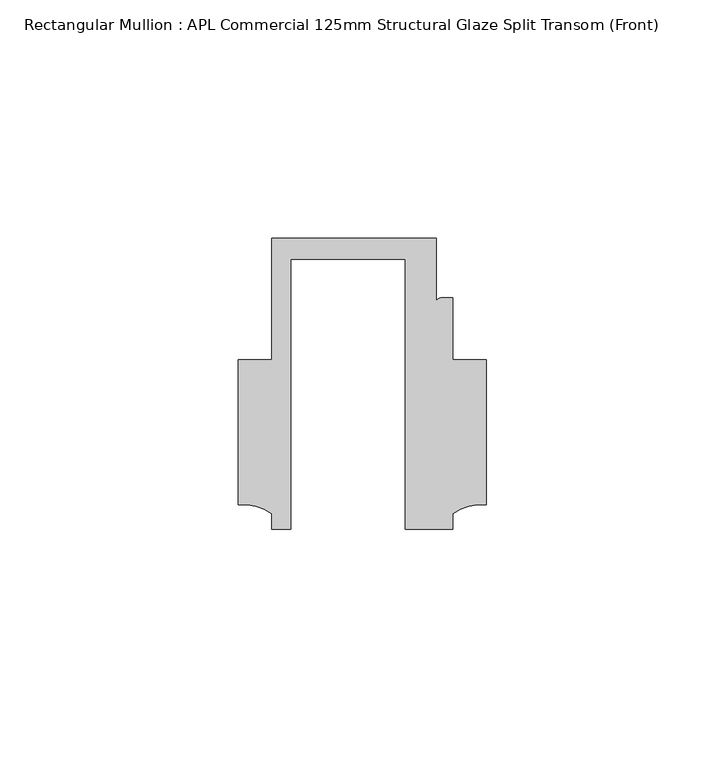
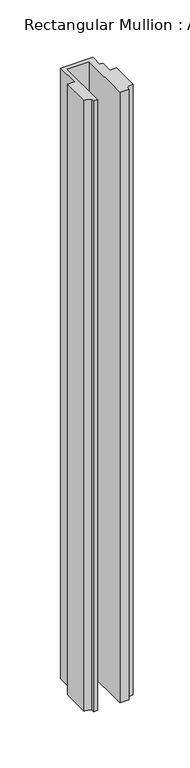
"""IFC4 building model written with IfcOpenShell, lengths in millimetres: member geometry, Rectangular Mullion : APL Commercial 125mm Structural Glaze Split Transom (Front)."""

import ifcopenshell
import ifcopenshell.guid

model = None  # the IFC model being written
_history = None  # IfcOwnerHistory: only IFC2X3 demands one
_inside = {}  # id of a spatial element -> (the spatial element, [elements in it])
_under = {}  # id of a project, library or spatial element -> (it, [spatial elements below it])
_declared = {}  # id of a project -> (the project, [libraries it declares])
_typed = {}  # id of a type object -> (the type object, [elements of that type])
_made_of = {}  # id of a material, layer set ... -> (it, [elements and type objects made of it])


def new_model(schema):
    """Start an empty IFC model of exactly this schema.

    Asked for "IFC4X3", IfcOpenShell would pick the latest addendum, in which some entities
    have other attributes; the version numbers below select the first issue.
    IFC2X3 requires an IfcOwnerHistory on every rooted entity: one is made here for all.
    """
    global model, _history
    if schema == "IFC4X3":
        model = ifcopenshell.file(schema_version=(4, 3, 0, 0))
    else:
        model = ifcopenshell.file(schema=schema)
    _inside.clear()
    _under.clear()
    _declared.clear()
    _typed.clear()
    _made_of.clear()
    _history = None
    if model.schema == "IFC2X3":
        org = make("IfcOrganization", Name="unknown")
        user = make(
            "IfcPersonAndOrganization",
            ThePerson=make("IfcPerson", FamilyName="unknown"),
            TheOrganization=org,
        )
        app = make(
            "IfcApplication",
            ApplicationDeveloper=org,
            Version="unknown",
            ApplicationFullName="unknown",
            ApplicationIdentifier="unknown",
        )
        _history = make(
            "IfcOwnerHistory",
            OwningUser=user,
            OwningApplication=app,
            ChangeAction="ADDED",
            CreationDate=0,
        )
    return model


def make(cls, **values):
    """One entity of the class cls with the attributes given. An attribute that is None is left unset."""
    return model.create_entity(
        cls, **{name: value for name, value in values.items() if value is not None}
    )


def rooted(cls, **values):
    """An entity with a GlobalId (a new one), such as an element, a storey or a relation."""
    return make(cls, GlobalId=ifcopenshell.guid.new(), OwnerHistory=_history, **values)


def si_unit(unit_type, name, prefix=None):
    """IfcSIUnit, for example si_unit("LENGTHUNIT", "METRE", prefix="MILLI")."""
    return make("IfcSIUnit", UnitType=unit_type, Prefix=prefix, Name=name)


def assignment(units):
    """IfcUnitAssignment: the units of a project."""
    return None if units is None else make("IfcUnitAssignment", Units=units)


def point(xyz):
    """IfcCartesianPoint."""
    return None if xyz is None else make("IfcCartesianPoint", Coordinates=xyz)


def direction(xyz):
    """IfcDirection."""
    return None if xyz is None else make("IfcDirection", DirectionRatios=xyz)


def frame(location, z_axis=None, x_axis=None):
    """IfcAxis2Placement3D, a coordinate frame: its origin and axes. An axis left out is left unset."""
    return make(
        "IfcAxis2Placement3D",
        Location=point(location),
        Axis=direction(z_axis),
        RefDirection=direction(x_axis),
    )


def frame_2d(location, x_axis=None):
    """IfcAxis2Placement2D, a coordinate frame in the plane: its origin and x axis."""
    return make(
        "IfcAxis2Placement2D", Location=point(location), RefDirection=direction(x_axis)
    )


def origin():
    """The frame at (0, 0, 0) with its axes left unset."""
    return frame((0.0, 0.0, 0.0))


def place(relative_to, where):
    """IfcLocalPlacement: puts the frame where relative to a parent placement (None: the world)."""
    return make(
        "IfcLocalPlacement", PlacementRelTo=relative_to, RelativePlacement=where
    )


def context(
    kind, dimensions, precision=None, world=None, true_north=None, identifier=None
):
    """IfcGeometricRepresentationContext, for example the 3D "Model" context."""
    return make(
        "IfcGeometricRepresentationContext",
        ContextIdentifier=identifier,
        ContextType=kind,
        CoordinateSpaceDimension=dimensions,
        Precision=precision,
        WorldCoordinateSystem=world,
        TrueNorth=true_north,
    )


def project(units=None, contexts=None):
    """IfcProject with its units and contexts."""
    return rooted(
        "IfcProject",
        Name="project",
        RepresentationContexts=contexts,
        UnitsInContext=assignment(units),
    )


def spatial(cls, under=None, at=None, **own):
    """A site, building, storey or space (cls), placed at a placement, below another one or the project."""
    s = rooted(cls, ObjectPlacement=at, **own)
    if under is not None:
        _under.setdefault(under.id(), (under, []))[1].append(s)
    return s


def polyline(points):
    """IfcPolyline through the points."""
    return make("IfcPolyline", Points=[point(p) for p in points])


def circle_curve(where, radius):
    """IfcCircle in the frame where."""
    return make("IfcCircle", Position=where, Radius=radius)


def trimmed(basis, trim1, trim2, sense, master):
    """IfcTrimmedCurve: the piece of a basis curve between two trims."""
    return make(
        "IfcTrimmedCurve",
        BasisCurve=basis,
        Trim1=trim1,
        Trim2=trim2,
        SenseAgreement=sense,
        MasterRepresentation=master,
    )


def segment(curve, same_sense, transition):
    """IfcCompositeCurveSegment."""
    return make(
        "IfcCompositeCurveSegment",
        Transition=transition,
        SameSense=same_sense,
        ParentCurve=curve,
    )


def composite_curve(segments, self_intersect=None):
    """IfcCompositeCurve: segments joined end to end."""
    return make("IfcCompositeCurve", Segments=segments, SelfIntersect=self_intersect)


def outline(outer, holes=None, kind="AREA"):
    """IfcArbitraryClosedProfileDef: a profile drawn as a closed curve; with holes, ...WithVoids."""
    if holes is None:
        return make("IfcArbitraryClosedProfileDef", ProfileType=kind, OuterCurve=outer)
    return make(
        "IfcArbitraryProfileDefWithVoids",
        ProfileType=kind,
        OuterCurve=outer,
        InnerCurves=holes,
    )


def extrude(swept, where, along, depth):
    """IfcExtrudedAreaSolid: the profile swept, set in the frame where, extruded along a direction by depth."""
    return make(
        "IfcExtrudedAreaSolid",
        SweptArea=swept,
        Position=where,
        ExtrudedDirection=direction(along),
        Depth=depth,
    )


def shape(context_of_items, identifier, shape_type, items):
    """IfcShapeRepresentation: the items that make up one representation, for example the "Body"."""
    return make(
        "IfcShapeRepresentation",
        ContextOfItems=context_of_items,
        RepresentationIdentifier=identifier,
        RepresentationType=shape_type,
        Items=items,
    )


def source(mapping_origin, context_of_items, identifier, shape_type, items):
    """IfcRepresentationMap: a shape defined once, which mapped items show again and again."""
    return make(
        "IfcRepresentationMap",
        MappingOrigin=mapping_origin,
        MappedRepresentation=shape(context_of_items, identifier, shape_type, items),
    )


def transform(
    local_origin,
    x_axis=None,
    y_axis=None,
    z_axis=None,
    scale=None,
    scale2=None,
    scale3=None,
    uniform=True,
):
    """IfcCartesianTransformationOperator3D, or its non-uniform kind. x_axis, y_axis, z_axis: its Axis1, 2, 3."""
    if uniform:
        return make(
            "IfcCartesianTransformationOperator3D",
            Axis1=direction(x_axis),
            Axis2=direction(y_axis),
            LocalOrigin=point(local_origin),
            Scale=scale,
            Axis3=direction(z_axis),
        )
    return make(
        "IfcCartesianTransformationOperator3DnonUniform",
        Axis1=direction(x_axis),
        Axis2=direction(y_axis),
        LocalOrigin=point(local_origin),
        Scale=scale,
        Axis3=direction(z_axis),
        Scale2=scale2,
        Scale3=scale3,
    )


def mapped(mapping_source, mapping_target):
    """IfcMappedItem: shows the shape of a source again, moved by a transform."""
    return make(
        "IfcMappedItem", MappingSource=mapping_source, MappingTarget=mapping_target
    )


def made_of(thing, what):
    """Note that an element or type object is made of a material, layer set ...; save() writes the relation."""
    if what is not None:
        _made_of.setdefault(what.id(), (what, []))[1].append(thing)
    return thing


def element(
    cls,
    number,
    at=None,
    inside=None,
    cuts=None,
    type_object=None,
    material=None,
    context=None,
    identifier="Body",
    shape_type=None,
    held_by="IfcProductDefinitionShape",
    body=None,
    shapes=None,
    **own,
):
    """One element of the class cls, such as IfcWall. Its Tag is "e" and its number.

    at: its placement. inside: the storey or other place that contains it. cuts: it is an
    opening in that element (IfcRelVoidsElement). A single representation is given by context,
    identifier, shape_type and body (its items); several are given by shapes. held_by: the class
    of the entity that holds the representations. save() writes the other relations.
    """
    e = rooted(cls, Tag="e%d" % number, ObjectPlacement=at, **own)
    if body is not None:
        shapes = [shape(context, identifier, shape_type, body)]
    if shapes is not None:
        e.Representation = make(held_by, Representations=shapes)
    if inside is not None:
        _inside.setdefault(inside.id(), (inside, []))[1].append(e)
    if cuts is not None:
        rooted(
            "IfcRelVoidsElement", RelatingBuildingElement=cuts, RelatedOpeningElement=e
        )
    if type_object is not None:
        _typed.setdefault(type_object.id(), (type_object, []))[1].append(e)
    return made_of(e, material)


def aggregate(whole, parts):
    """IfcRelAggregates: a whole, such as a stair, and the parts it consists of."""
    return rooted("IfcRelAggregates", RelatingObject=whole, RelatedObjects=parts)


def save(model, path):
    """Write the relations noted so far, then the file.

    IfcRelAggregates (storeys below a building ...), IfcRelContainedInSpatialStructure (elements
    in a storey), IfcRelDefinesByType, IfcRelAssociatesMaterial and IfcRelDeclares: one each for
    every whole, place, type object, material and project.
    """
    for whole, parts in _under.values():
        aggregate(whole, parts)
    for where, things in _inside.values():
        rooted(
            "IfcRelContainedInSpatialStructure",
            RelatedElements=things,
            RelatingStructure=where,
        )
    for kind, things in _typed.values():
        rooted("IfcRelDefinesByType", RelatedObjects=things, RelatingType=kind)
    for what, things in _made_of.values():
        rooted("IfcRelAssociatesMaterial", RelatedObjects=things, RelatingMaterial=what)
    for by, libraries in _declared.values():
        rooted("IfcRelDeclares", RelatingContext=by, RelatedDefinitions=libraries)
    model.write(path)


def rectangular_mullion_apl_commercial_125mm_structural_glaze_78f0971b(model_context):
    return source(origin(), model_context, "Body", "SweptSolid", [
        extrude(outline(composite_curve([segment(polyline([(-24.0309529, -20.5), (-28.0000482, -20.5), (-28.0000482, -17.3123419)]), True, "CONTINUOUS"), segment(trimmed(circle_curve(frame_2d((-34.10985, -25.7980019)), 10.4563907), [point((-28.0000482, -17.3123419))], [point((-34.9999873, -15.3795682))], True, "CARTESIAN"), True, "CONTINUOUS"), segment(polyline([(-34.9999873, -15.3795682), (-34.9999873, 15.001276), (-28.0000482, 15.001276), (-28.0000482, 40.499932), (6.5000029, 40.499932), (6.5000029, 27.0002131)]), True, "CONTINUOUS"), segment(trimmed(circle_curve(frame_2d((7.5000029, 27.0002131)), 1.0), [point((6.5000029, 27.0002131))], [point((7.5000029, 28.0002131))], False, "CARTESIAN"), True, "CONTINUOUS"), segment(polyline([(7.5000029, 28.0002131), (10.0000029, 28.0002131), (10.0000029, 15.0004617), (16.999942, 15.0004617), (16.999942, -15.3793686)]), True, "CONTINUOUS"), segment(trimmed(circle_curve(frame_2d((16.1098048, -25.7978024)), 10.4563907), [point((16.999942, -15.3793686))], [point((10.0000029, -17.3121423))], True, "CARTESIAN"), True, "CONTINUOUS"), segment(polyline([(10.0000029, -17.3121423), (10.0000029, -20.5), (0.0, -20.5), (0.0, 36.1008577), (-24.0309529, 36.1008577), (-24.0309529, -20.5)]), True, "CONTINUOUS")], self_intersect=False)), frame((0.0, 0.0, -688.0250761), z_axis=(0.0, 0.0, 1.0), x_axis=(1.0, 0.0, 0.0)), (0.0, 0.0, 1.0), 688.0250761),
    ])


if __name__ == "__main__":
    model = new_model("IFC4")
    model_context = context("Model", 3, world=origin())
    ifc_project = project(units=[si_unit("LENGTHUNIT", "METRE", prefix="MILLI")], contexts=[model_context])
    site = spatial("IfcSite", under=ifc_project)
    building = spatial("IfcBuilding", under=site)
    placement = place(None, origin())
    rectangular_mullion_apl_commercial_125mm_structural_glaze_shape = rectangular_mullion_apl_commercial_125mm_structural_glaze_78f0971b(model_context)
    element("IfcMember", 1, ObjectType="Rectangular Mullion : APL Commercial 125mm Structural Glaze Split Transom (Front)", at=placement, inside=building, context=model_context, shape_type="MappedRepresentation", body=[
        mapped(rectangular_mullion_apl_commercial_125mm_structural_glaze_shape, transform((0.0, 0.0, 0.0), x_axis=(1.0, 0.0, 0.0), y_axis=(0.0, 1.0, 0.0), z_axis=(0.0, 0.0, 1.0))),
    ])
    save(model, "model.ifc")
